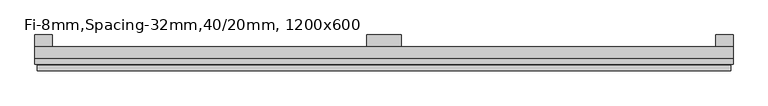
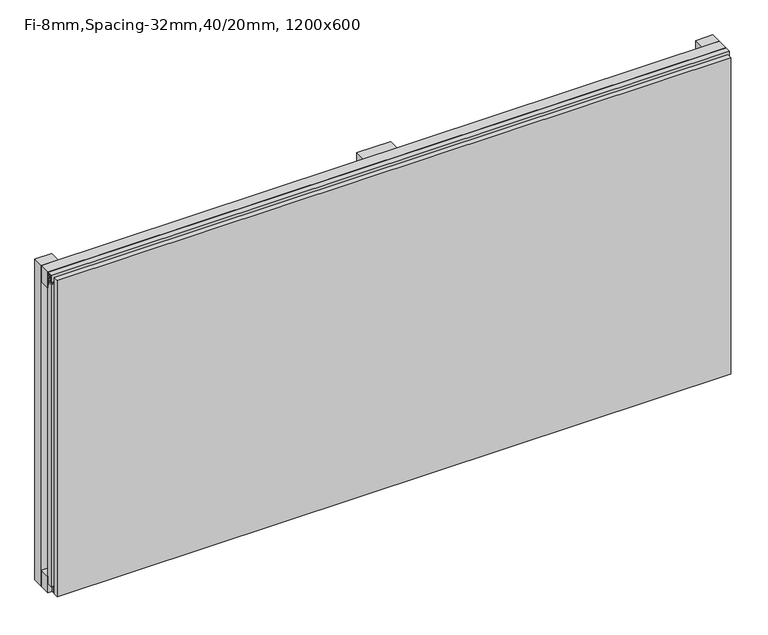
"""IFC4 building model written with IfcOpenShell, lengths in millimetres: plate geometry, Fi-8mm,Spacing-32mm,40/20mm, 1200x600."""

from ifc_helpers import new_model, si_unit, frame, origin, origin_with_axes, place, context, project, spatial, polyline, outline, extrude, faceted_brep, source, transform, mapped, element, save


def fi_8mm_spacing_32mm_40_20mm_1200x600_540c7ba5(model_context):
    return source(origin(), model_context, "Body", "SolidModel", [
        extrude(outline(polyline([(-600.0, -40.0), (-600.0, -20.0), (600.0, -20.0), (600.0, -40.0), (-600.0, -40.0)])), frame((0.0, 0.0, 570.0), z_axis=(0.0, 0.0, 1.0), x_axis=(1.0, 0.0, 0.0)), (0.0, 0.0, 1.0), 30.0),
        extrude(outline(polyline([(-600.0, -40.0), (-600.0, -20.0), (600.0, -20.0), (600.0, -40.0), (-600.0, -40.0)])), origin_with_axes(), (0.0, 0.0, 1.0), 30.0),
        extrude(outline(polyline([(570.0, 0.0), (600.0, 0.0), (600.0, -20.0), (570.0, -20.0), (570.0, 0.0)])), origin_with_axes(), (0.0, 0.0, 1.0), 600.0),
        extrude(outline(polyline([(30.0, 0.0), (30.0, -20.0), (-30.0, -20.0), (-30.0, 0.0), (30.0, 0.0)])), origin_with_axes(), (0.0, 0.0, 1.0), 600.0),
        extrude(outline(polyline([(-570.0, 0.0), (-570.0, -20.0), (-600.0, -20.0), (-600.0, 0.0), (-570.0, 0.0)])), origin_with_axes(), (0.0, 0.0, 1.0), 600.0),
        extrude(outline(polyline([(-40.0, 593.700916), (-43.5, 593.700916), (-40.0553267, 584.6441401), (-40.0553267, 577.008452), (-41.4553267, 577.008452), (-41.4553267, 584.4296606), (-45.5140545, 595.100916), (-41.4, 595.100916), (-41.4, 598.5843193), (-48.7, 598.5843193), (-48.7, 586.5843193), (-50.1, 586.5843193), (-50.1, 600.0), (-40.0, 600.0), (-40.0, 593.700916)])), frame((-600.0, 0.0, 0.0), z_axis=(1.0, 0.0, 0.0), x_axis=(0.0, 1.0, 0.0)), (0.0, 0.0, 1.0), 1200.0),
        extrude(outline(polyline([(-593.700916, -40.0), (-593.700916, -43.5), (-584.6441401, -40.0553267), (-577.008452, -40.0553267), (-577.008452, -41.4553267), (-584.4296606, -41.4553267), (-595.100916, -45.5140545), (-595.100916, -41.4), (-598.5843193, -41.4), (-598.5843193, -48.7), (-586.5843193, -48.7), (-586.5843193, -50.1), (-600.0, -50.1), (-600.0, -40.0), (-593.700916, -40.0)])), frame((0.0, 0.0, 16.9558599), z_axis=(0.0, 0.0, 1.0), x_axis=(1.0, 0.0, 0.0)), (0.0, 0.0, 1.0), 566.0882802),
        extrude(outline(polyline([(593.700916, -40.0), (600.0, -40.0), (600.0, -50.1), (586.5843193, -50.1), (586.5843193, -48.7), (598.5843193, -48.7), (598.5843193, -41.4), (595.100916, -41.4), (595.100916, -45.5140545), (584.4296606, -41.4553267), (577.008452, -41.4553267), (577.008452, -40.0553267), (584.6441401, -40.0553267), (593.700916, -43.5), (593.700916, -40.0)])), frame((0.0, 0.0, 16.9558599), z_axis=(0.0, 0.0, 1.0), x_axis=(1.0, 0.0, 0.0)), (0.0, 0.0, 1.0), 566.0882802),
        faceted_brep([(596.0, -45.9, 596.0), (-596.0, -45.9, 596.0), (-596.0, -48.7, 596.0), (596.0, -48.7, 596.0), (-596.0, -61.9, 596.0), (596.0, -61.9, 596.0), (596.0, -51.9, 596.0), (-596.0, -51.9, 596.0), (-596.0, -45.9, 4.0), (596.0, -45.9, 4.0), (596.0, -48.7, 4.0), (-596.0, -48.7, 4.0), (596.0, -61.9, 4.0), (-596.0, -61.9, 4.0), (-596.0, -51.9, 4.0), (596.0, -51.9, 4.0), (584.0, -51.9, 584.0), (584.0, -51.9, 16.0), (584.0, -48.7, 16.0), (584.0, -48.7, 584.0), (-584.0, -51.9, 16.0), (-584.0, -48.7, 16.0), (-584.0, -51.9, 584.0), (-584.0, -48.7, 584.0)], [[[0, 1, 2, 3]], [[4, 5, 6, 7]], [[8, 9, 10, 11]], [[12, 13, 14, 15]], [[1, 0, 9, 8]], [[1, 8, 11, 2]], [[13, 4, 7, 14]], [[5, 4, 13, 12]], [[9, 0, 3, 10]], [[5, 12, 15, 6]], [[16, 17, 18, 19]], [[18, 17, 20, 21]], [[21, 20, 22, 23]], [[16, 19, 23, 22]], [[7, 6, 15, 14], [17, 16, 22, 20]], [[3, 2, 11, 10], [19, 18, 21, 23]]]),
    ])


if __name__ == "__main__":
    model = new_model("IFC4")
    model_context = context("Model", 3, world=origin())
    ifc_project = project(units=[si_unit("LENGTHUNIT", "METRE", prefix="MILLI")], contexts=[model_context])
    site = spatial("IfcSite", under=ifc_project)
    building = spatial("IfcBuilding", under=site)
    placement = place(None, origin())
    fi_8mm_spacing_32mm_40_20mm_1200x600_shape = fi_8mm_spacing_32mm_40_20mm_1200x600_540c7ba5(model_context)
    element("IfcPlate", 1, ObjectType="Fi-8mm,Spacing-32mm,40/20mm, 1200x600", at=placement, inside=building, context=model_context, shape_type="MappedRepresentation", body=[
        mapped(fi_8mm_spacing_32mm_40_20mm_1200x600_shape, transform((0.0, 0.0, 0.0), x_axis=(1.0, 0.0, 0.0), y_axis=(0.0, 1.0, 0.0), z_axis=(0.0, 0.0, 1.0))),
    ])
    save(model, "model.ifc")
